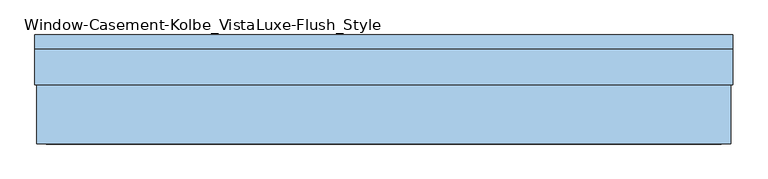
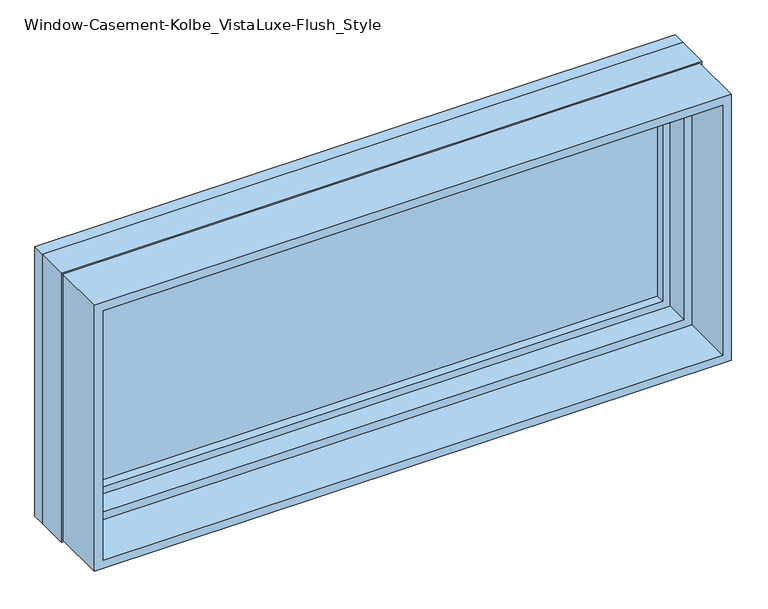
"""IFC4 building model written with IfcOpenShell, lengths in millimetres: window geometry, Window-Casement-Kolbe_VistaLuxe-Flush_Style."""

from ifc_helpers import new_model, si_unit, frame, origin, place, context, project, spatial, polyline, outline, extrude, faceted_brep, source, transform, mapped, element, save


def window_casement_kolbe_vistaluxe_flush_style_7794d756(model_context):
    return source(origin(), model_context, "Body", "SolidModel", [
        faceted_brep([(-635.0696599, 111.85398, 970.676875), (623.9765901, 111.85398, 970.676875), (623.9765901, 119.79148, 970.676875), (-635.0696599, 119.79148, 970.676875), (-650.9446599, 89.60358, 954.801875), (639.8515901, 89.60358, 954.801875), (639.8515901, 111.85398, 954.801875), (-650.9446599, 111.85398, 954.801875), (-635.0696599, 70.57898, 970.676875), (623.9765901, 70.57898, 970.676875), (623.9765901, 89.60358, 970.676875), (-635.0696599, 89.60358, 970.676875), (-679.5196599, 119.79148, 926.226875), (668.4265901, 119.79148, 926.226875), (668.4265901, 70.57898, 926.226875), (-679.5196599, 70.57898, 926.226875), (623.9765901, 111.85398, 1467.723125), (623.9765901, 119.79148, 1467.723125), (639.8515901, 89.60358, 1483.598125), (639.8515901, 111.85398, 1483.598125), (623.9765901, 70.57898, 1467.723125), (623.9765901, 89.60358, 1467.723125), (668.4265901, 119.79148, 1512.173125), (668.4265901, 70.57898, 1512.173125), (-635.0696599, 111.85398, 1467.723125), (-635.0696599, 119.79148, 1467.723125), (-650.9446599, 89.60358, 1483.598125), (-650.9446599, 111.85398, 1483.598125), (-635.0696599, 70.57898, 1467.723125), (-635.0696599, 89.60358, 1467.723125), (-679.5196599, 119.79148, 1512.173125), (-679.5196599, 70.57898, 1512.173125)], [[[0, 1, 2, 3]], [[4, 5, 6, 7]], [[8, 9, 10, 11]], [[12, 13, 14, 15]], [[1, 16, 17, 2]], [[5, 18, 19, 6]], [[9, 20, 21, 10]], [[13, 22, 23, 14]], [[16, 24, 25, 17]], [[18, 26, 27, 19]], [[20, 28, 29, 21]], [[22, 30, 31, 23]], [[24, 0, 3, 25]], [[7, 6, 19, 27], [1, 0, 24, 16]], [[26, 4, 7, 27]], [[5, 4, 26, 18], [11, 10, 21, 29]], [[28, 8, 11, 29]], [[15, 14, 23, 31], [9, 8, 28, 20]], [[30, 12, 15, 31]], [[13, 12, 30, 22], [3, 2, 17, 25]]]),
        extrude(outline(polyline([(1520.4186, -687.7651349), (917.9814, -687.7651349), (917.9814, 676.6720651), (1520.4186, 676.6720651), (1520.4186, -687.7651349)]), holes=[polyline([(936.545625, -669.2009099), (1501.854375, -669.2009099), (1501.854375, 658.1078401), (936.545625, 658.1078401), (936.545625, -669.2009099)])]), frame((0.0, -93.6625, 0.0), z_axis=(0.0, 1.0, 0.0), x_axis=(0.0, 0.0, 1.0)), (0.0, 0.0, 1.0), 116.6622),
        extrude(outline(polyline([(1524.0, 680.2534651), (1524.0, -691.3465349), (914.4, -691.3465349), (914.4, 680.2534651), (1524.0, 680.2534651)]), holes=[polyline([(1512.173125, -679.5196599), (1512.173125, 668.4265901), (926.226875, 668.4265901), (926.226875, -679.5196599), (1512.173125, -679.5196599)])]), frame((0.0, 93.6625, 0.0), z_axis=(0.0, 1.0, 0.0), x_axis=(0.0, 0.0, 1.0)), (0.0, 0.0, 1.0), 26.924),
        faceted_brep([(680.2534651, 22.9997, 914.4), (-691.3465349, 22.9997, 914.4), (-691.3465349, 93.6625, 914.4), (680.2534651, 93.6625, 914.4), (658.1078401, 70.58025, 936.545625), (-669.2009099, 70.58025, 936.545625), (-669.2009099, 22.9997, 936.545625), (658.1078401, 22.9997, 936.545625), (668.4265901, 93.6625, 926.226875), (-679.5196599, 93.6625, 926.226875), (-679.5196599, 70.58025, 926.226875), (668.4265901, 70.58025, 926.226875), (-691.3465349, 22.9997, 1524.0), (-691.3465349, 93.6625, 1524.0), (-669.2009099, 70.58025, 1501.854375), (-669.2009099, 22.9997, 1501.854375), (-679.5196599, 93.6625, 1512.173125), (-679.5196599, 70.58025, 1512.173125), (680.2534651, 22.9997, 1524.0), (680.2534651, 93.6625, 1524.0), (658.1078401, 70.58025, 1501.854375), (658.1078401, 22.9997, 1501.854375), (668.4265901, 93.6625, 1512.173125), (668.4265901, 70.58025, 1512.173125)], [[[0, 1, 2, 3]], [[4, 5, 6, 7]], [[8, 9, 10, 11]], [[1, 12, 13, 2]], [[5, 14, 15, 6]], [[9, 16, 17, 10]], [[12, 18, 19, 13]], [[14, 20, 21, 15]], [[16, 22, 23, 17]], [[18, 0, 3, 19]], [[1, 0, 18, 12], [7, 6, 15, 21]], [[20, 4, 7, 21]], [[11, 10, 17, 23], [5, 4, 20, 14]], [[22, 8, 11, 23]], [[3, 2, 13, 19], [9, 8, 22, 16]]]),
        extrude(outline(polyline([(636.6765901, 92.77858), (636.6765901, 89.60358), (-647.7696599, 89.60358), (-647.7696599, 92.77858), (636.6765901, 92.77858)])), frame((0.0, 0.0, 957.976875), z_axis=(0.0, 0.0, 1.0), x_axis=(1.0, 0.0, 0.0)), (0.0, 0.0, 1.0), 522.44625),
        extrude(outline(polyline([(636.6765901, 108.67898), (-647.7696599, 108.67898), (-647.7696599, 111.85398), (636.6765901, 111.85398), (636.6765901, 108.67898)])), frame((0.0, 0.0, 957.976875), z_axis=(0.0, 0.0, 1.0), x_axis=(1.0, 0.0, 0.0)), (0.0, 0.0, 1.0), 522.44625),
        extrude(outline(polyline([(936.545625, -669.2009099), (936.545625, 658.1078401), (1501.854375, 658.1078401), (1501.854375, -669.2009099), (936.545625, -669.2009099)]), holes=[polyline([(954.801875, 639.8515901), (954.801875, -650.9446599), (1483.598125, -650.9446599), (1483.598125, 639.8515901), (954.801875, 639.8515901)])]), frame((0.0, 19.78025, 0.0), z_axis=(0.0, 1.0, 0.0), x_axis=(0.0, 0.0, 1.0)), (0.0, 0.0, 1.0), 50.8),
    ])


if __name__ == "__main__":
    model = new_model("IFC4")
    model_context = context("Model", 3, world=origin())
    ifc_project = project(units=[si_unit("LENGTHUNIT", "METRE", prefix="MILLI")], contexts=[model_context])
    site = spatial("IfcSite", under=ifc_project)
    building = spatial("IfcBuilding", under=site)
    placement = place(None, origin())
    window_casement_kolbe_vistaluxe_flush_style_shape = window_casement_kolbe_vistaluxe_flush_style_7794d756(model_context)
    element("IfcWindow", 1, ObjectType="Window-Casement-Kolbe_VistaLuxe-Flush_Style", at=placement, inside=building, context=model_context, shape_type="MappedRepresentation", body=[
        mapped(window_casement_kolbe_vistaluxe_flush_style_shape, transform((0.0, 0.0, 0.0), x_axis=(1.0, 0.0, 0.0), y_axis=(0.0, 1.0, 0.0), z_axis=(0.0, 0.0, 1.0))),
    ])
    save(model, "model.ifc")
